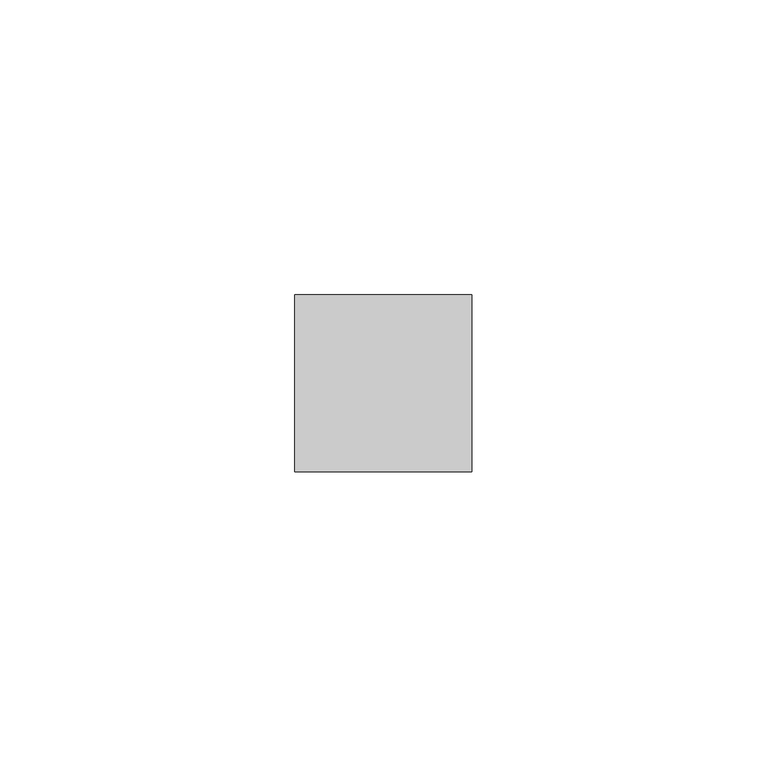
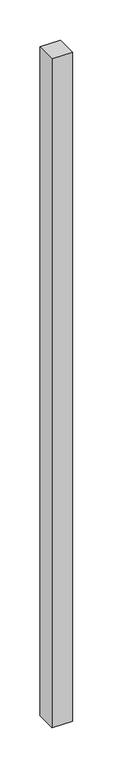
"""IFC4 building model written with IfcOpenShell, lengths in millimetres: member geometry."""

from ifc_helpers import new_model, si_unit, frame, origin, place, context, project, spatial, polyline, outline, extrude, source, transform, mapped, element, save


def member_fc602f9a(model_context):
    return source(origin(), model_context, "Body", "SweptSolid", [
        extrude(outline(polyline([(15.0, 15.0), (15.0, -15.0), (-15.0, -15.0), (-15.0, 15.0), (15.0, 15.0)])), frame((0.0, 0.0, -1018.3333333), z_axis=(0.0, 0.0, 1.0), x_axis=(1.0, 0.0, 0.0)), (0.0, 0.0, 1.0), 1018.3333333),
    ])


if __name__ == "__main__":
    model = new_model("IFC4")
    model_context = context("Model", 3, world=origin())
    ifc_project = project(units=[si_unit("LENGTHUNIT", "METRE", prefix="MILLI")], contexts=[model_context])
    site = spatial("IfcSite", under=ifc_project)
    building = spatial("IfcBuilding", under=site)
    placement = place(None, origin())
    member_shape = member_fc602f9a(model_context)
    element("IfcMember", 1, at=placement, inside=building, context=model_context, shape_type="MappedRepresentation", body=[
        mapped(member_shape, transform((0.0, 0.0, 0.0), x_axis=(1.0, 0.0, 0.0), y_axis=(0.0, 1.0, 0.0), z_axis=(0.0, 0.0, 1.0))),
    ])
    save(model, "model.ifc")
